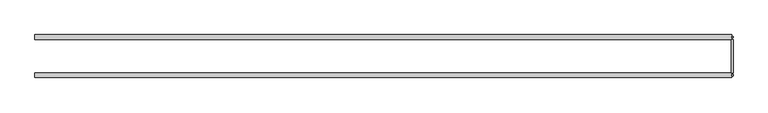
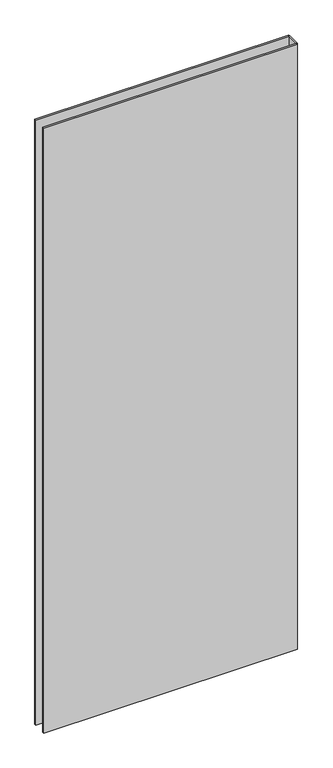
"""IFC4 building model written with IfcOpenShell, lengths in millimetres: plate geometry."""

from ifc_helpers import new_model, si_unit, origin, origin_with_axes, place, context, project, spatial, polyline, outline, extrude, source, transform, mapped, element, save


def plate_f084cc8a(model_context):
    return source(origin(), model_context, "Body", "SweptSolid", [
        extrude(outline(polyline([(579.2142858, 27.7), (579.2142858, -27.7), (576.2142858, -27.7), (576.2142858, 27.7), (579.2142858, 27.7)])), origin_with_axes(), (0.0, 0.0, 1.0), 2915.0),
        extrude(outline(polyline([(577.2142858, 32.7), (579.2142858, 32.7), (579.2142858, 30.7), (577.2142858, 30.7), (577.2142858, 32.7)])), origin_with_axes(), (0.0, 0.0, 1.0), 2915.0),
        extrude(outline(polyline([(579.2142858, -30.7), (579.2142858, -32.7), (577.2142858, -32.7), (577.2142858, -30.7), (579.2142858, -30.7)])), origin_with_axes(), (0.0, 0.0, 1.0), 2915.0),
        extrude(outline(polyline([(577.2142858, 27.7), (-579.2142858, 27.7), (-579.2142858, 35.7), (577.2142858, 35.7), (577.2142858, 27.7)])), origin_with_axes(), (0.0, 0.0, 1.0), 2915.0),
        extrude(outline(polyline([(-579.2142858, -35.7), (-579.2142858, -27.7), (577.2142858, -27.7), (577.2142858, -35.7), (-579.2142858, -35.7)])), origin_with_axes(), (0.0, 0.0, 1.0), 2915.0),
    ])


if __name__ == "__main__":
    model = new_model("IFC4")
    model_context = context("Model", 3, world=origin())
    ifc_project = project(units=[si_unit("LENGTHUNIT", "METRE", prefix="MILLI")], contexts=[model_context])
    site = spatial("IfcSite", under=ifc_project)
    building = spatial("IfcBuilding", under=site)
    placement = place(None, origin())
    plate_shape = plate_f084cc8a(model_context)
    element("IfcPlate", 1, at=placement, inside=building, context=model_context, shape_type="MappedRepresentation", body=[
        mapped(plate_shape, transform((0.0, 0.0, 0.0), x_axis=(1.0, 0.0, 0.0), y_axis=(0.0, 1.0, 0.0), z_axis=(0.0, 0.0, 1.0))),
    ])
    save(model, "model.ifc")
